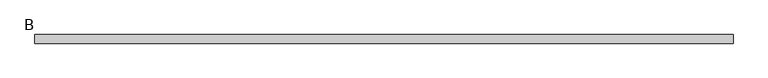
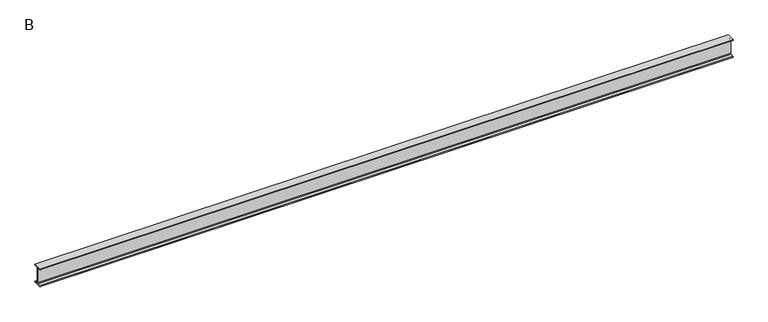
"""IFC4 building model written with IfcOpenShell, lengths in millimetres: beam geometry, B."""

from ifc_helpers import new_model, si_unit, point, frame, frame_2d, origin, place, context, project, spatial, polyline, circle_curve, trimmed, segment, composite_curve, outline, extrude, source, transform, mapped, element, save


def b_3b1d2a71(model_context):
    return source(origin(), model_context, "Body", "SweptSolid", [
        extrude(outline(composite_curve([segment(polyline([(70.0, 150.0), (70.0, 147.6333953)]), True, "CONTINUOUS"), segment(trimmed(circle_curve(frame_2d((63.0, 147.6333953)), 7.0), [point((70.0, 147.6333953))], [point((63.9742117, 140.7015188))], False, "CARTESIAN"), True, "CONTINUOUS"), segment(polyline([(63.9742117, 140.7015188), (15.9015766, 133.9453505)]), True, "CONTINUOUS"), segment(trimmed(circle_curve(frame_2d((17.85, 120.0815976)), 14.0), [point((15.9015766, 133.9453505))], [point((3.85, 120.0815976))], True, "CARTESIAN"), True, "CONTINUOUS"), segment(polyline([(3.85, 120.0815976), (3.85, -120.0815976)]), True, "CONTINUOUS"), segment(trimmed(circle_curve(frame_2d((17.85, -120.0815976)), 14.0), [point((3.85, -120.0815976))], [point((15.9015766, -133.9453505))], True, "CARTESIAN"), True, "CONTINUOUS"), segment(polyline([(15.9015766, -133.9453505), (63.9742117, -140.7015188)]), True, "CONTINUOUS"), segment(trimmed(circle_curve(frame_2d((63.0, -147.6333953)), 7.0), [point((63.9742117, -140.7015188))], [point((70.0, -147.6333953))], False, "CARTESIAN"), True, "CONTINUOUS"), segment(polyline([(70.0, -147.6333953), (70.0, -150.0), (-70.0, -150.0), (-70.0, -147.6333953)]), True, "CONTINUOUS"), segment(trimmed(circle_curve(frame_2d((-63.0, -147.6333953)), 7.0), [point((-70.0, -147.6333953))], [point((-63.9742117, -140.7015188))], False, "CARTESIAN"), True, "CONTINUOUS"), segment(polyline([(-63.9742117, -140.7015188), (-15.9015766, -133.9453505)]), True, "CONTINUOUS"), segment(trimmed(circle_curve(frame_2d((-17.85, -120.0815976)), 14.0), [point((-15.9015766, -133.9453505))], [point((-3.85, -120.0815976))], True, "CARTESIAN"), True, "CONTINUOUS"), segment(polyline([(-3.85, -120.0815976), (-3.85, 120.0815976)]), True, "CONTINUOUS"), segment(trimmed(circle_curve(frame_2d((-17.85, 120.0815976)), 14.0), [point((-3.85, 120.0815976))], [point((-15.9015766, 133.9453505))], True, "CARTESIAN"), True, "CONTINUOUS"), segment(polyline([(-15.9015766, 133.9453505), (-63.9742117, 140.7015188)]), True, "CONTINUOUS"), segment(trimmed(circle_curve(frame_2d((-63.0, 147.6333953)), 7.0), [point((-63.9742117, 140.7015188))], [point((-70.0, 147.6333953))], False, "CARTESIAN"), True, "CONTINUOUS"), segment(polyline([(-70.0, 147.6333953), (-70.0, 150.0), (70.0, 150.0)]), True, "CONTINUOUS")], self_intersect=False)), frame((-5576.9, 0.0, 0.0), z_axis=(1.0, 0.0, 0.0), x_axis=(0.0, 1.0, 0.0)), (0.0, 0.0, 1.0), 11333.7),
    ])


if __name__ == "__main__":
    model = new_model("IFC4")
    model_context = context("Model", 3, world=origin())
    ifc_project = project(units=[si_unit("LENGTHUNIT", "METRE", prefix="MILLI")], contexts=[model_context])
    site = spatial("IfcSite", under=ifc_project)
    building = spatial("IfcBuilding", under=site)
    placement = place(None, origin())
    b_shape = b_3b1d2a71(model_context)
    element("IfcBeam", 1, ObjectType="B", at=placement, inside=building, context=model_context, shape_type="MappedRepresentation", body=[
        mapped(b_shape, transform((0.0, 0.0, 0.0), x_axis=(1.0, 0.0, 0.0), y_axis=(0.0, 1.0, 0.0), z_axis=(0.0, 0.0, 1.0))),
    ])
    save(model, "model.ifc")
